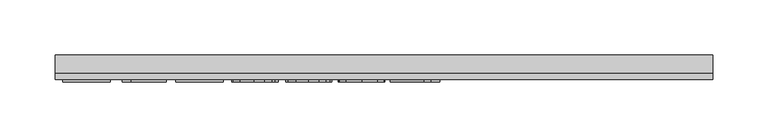
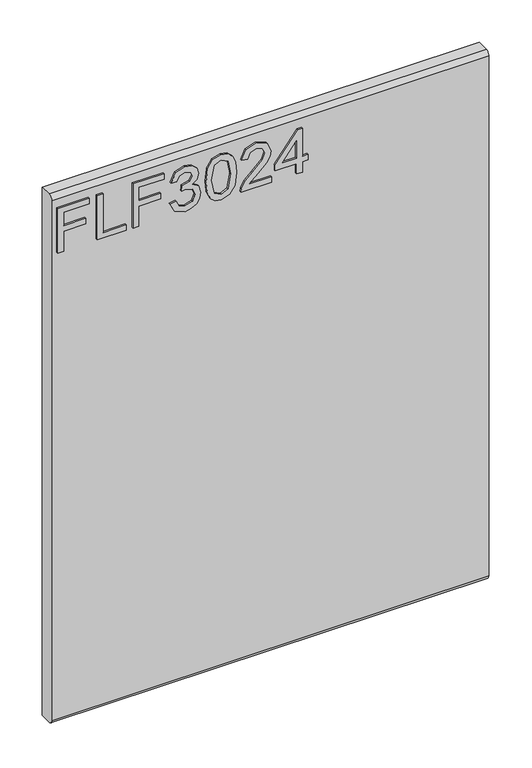
"""IFC4 building model written with IfcOpenShell, lengths in millimetres: furniture geometry."""

from ifc_helpers import new_model, si_unit, frame, origin, place, context, project, spatial, polyline, circle_curve, outline, extrude, source, transform, mapped, element, save
from ifc_brep_helpers import plane_surface, cylinder_surface, advanced_brep


def furniture_80ca25b2(model_context):
    return source(origin(), model_context, "Body", "SolidModel", [
        extrude(outline(polyline([(679.45, -291.4729953), (679.45, -283.4992757), (708.3547336, -283.4992757), (708.3547336, -253.5978271), (716.3284532, -253.5978271), (716.3284532, -283.4992757), (735.2660373, -283.4992757), (735.2660373, -248.6142524), (743.2397569, -248.6142524), (743.2397569, -291.4729953), (679.45, -291.4729953)])), frame((0.0, -15.0812439, 0.0), z_axis=(0.0, 1.0, 0.0), x_axis=(0.0, 0.0, 1.0)), (0.0, 0.0, 1.0), 2.38125),
        extrude(outline(polyline([(679.45, -237.6503879), (679.45, -197.7817898), (687.4237196, -197.7817898), (687.4237196, -229.6766683), (743.2397569, -229.6766683), (743.2397569, -237.6503879), (679.45, -237.6503879)])), frame((0.0, -15.0812439, 0.0), z_axis=(0.0, 1.0, 0.0), x_axis=(0.0, 0.0, 1.0)), (0.0, 0.0, 1.0), 2.38125),
        extrude(outline(polyline([(679.45, -188.8113553), (679.45, -180.8376356), (708.3547336, -180.8376356), (708.3547336, -150.9361871), (716.3284532, -150.9361871), (716.3284532, -180.8376356), (735.2660373, -180.8376356), (735.2660373, -145.9526123), (743.2397569, -145.9526123), (743.2397569, -188.8113553), (679.45, -188.8113553)])), frame((0.0, -15.0812439, 0.0), z_axis=(0.0, 1.0, 0.0), x_axis=(0.0, 0.0, 1.0)), (0.0, 0.0, 1.0), 2.38125),
        extrude(outline(polyline([(696.3941542, -137.9788927), (683.4524335, -131.6404085), (678.453285, -117.6552519), (679.9172101, -109.1325603), (684.3089854, -102.2217438), (690.8032063, -97.6430845), (698.5744681, -96.1168647), (708.9465331, -99.1693042), (714.397318, -107.8594127), (719.6767925, -101.3184708), (727.0275653, -99.1070095), (735.0713664, -101.4352734), (741.0516562, -108.1630993), (743.2397569, -117.7798412), (738.8012607, -130.4568095), (726.2956028, -136.9821777), (725.2988878, -129.0084581), (732.7742499, -125.0994667), (735.2660373, -117.4995152), (732.7976105, -109.9930057), (726.5603552, -107.0807292), (719.5210558, -111.0987363), (717.3251682, -121.4240803), (709.3514486, -122.3117795), (710.2235742, -116.7208316), (706.96089, -107.656955), (698.7146312, -104.0905843), (689.962228, -107.6881023), (686.4270047, -117.3749258), (688.9966604, -125.605611), (697.3908691, -130.0051731), (696.3941542, -137.9788927)])), frame((0.0, -15.0812439, 0.0), z_axis=(0.0, 1.0, 0.0), x_axis=(0.0, 0.0, 1.0)), (0.0, 0.0, 1.0), 2.38125),
        extrude(outline(polyline([(710.8309473, -89.13986), (695.3156775, -87.5513456), (684.5270168, -82.7858022), (679.971718, -76.4940391), (678.453285, -68.208846), (681.9495742, -56.5363795), (692.5552443, -49.598309), (710.8309473, -47.277832), (725.8206058, -48.7261834), (735.2582505, -52.4638645), (741.1840324, -58.8957907), (743.2397569, -68.208846), (739.7668283, -79.8345915), (729.1845188, -86.7960225), (710.8309473, -89.13986)]), holes=[polyline([(710.846521, -81.1661404), (730.9988514, -77.30387), (735.2660373, -68.3022881), (730.4226256, -58.8646433), (710.846521, -55.2515516), (691.0601718, -58.9892327), (686.4270047, -68.208846), (691.0445982, -77.4284593), (710.846521, -81.1661404)])]), frame((0.0, -15.0812439, 0.0), z_axis=(0.0, 1.0, 0.0), x_axis=(0.0, 0.0, 1.0)), (0.0, 0.0, 1.0), 2.38125),
        extrude(outline(polyline([(687.4237196, 0.5644857), (687.4237196, -30.754167), (691.4806609, -27.1566489), (699.150694, -17.9837566), (710.0756243, -6.5604689), (717.8936072, -1.8494333), (725.4546245, -0.4322293), (738.1315928, -5.6883433), (743.2397569, -19.9616129), (738.645524, -34.1881614), (725.2988878, -40.3008274), (724.3021729, -32.3271077), (732.3537608, -28.9709816), (735.2660373, -20.1329233), (732.2836793, -11.6530593), (724.9718407, -8.4059489), (715.9391115, -11.8477302), (702.65477, -25.6148555), (693.4117962, -35.5975787), (684.9475059, -40.4409904), (679.45, -41.2975423), (679.45, 0.5644857), (687.4237196, 0.5644857)])), frame((0.0, -15.0812439, 0.0), z_axis=(0.0, 1.0, 0.0), x_axis=(0.0, 0.0, 1.0)), (0.0, 0.0, 1.0), 2.38125),
        extrude(outline(polyline([(679.45, 34.4527941), (679.45, 42.4265137), (694.4007243, 42.4265137), (694.4007243, 50.4002333), (702.3744439, 50.4002333), (702.3744439, 42.4265137), (742.243042, 42.4265137), (742.243042, 36.446224), (702.3744439, 5.5480604), (694.4007243, 5.5480604), (694.4007243, 34.4527941), (679.45, 34.4527941)]), holes=[polyline([(702.3744439, 34.4527941), (702.3744439, 15.3594733), (727.0119916, 34.4527941), (702.3744439, 34.4527941)])]), frame((0.0, -15.0812439, 0.0), z_axis=(0.0, 1.0, 0.0), x_axis=(0.0, 0.0, 1.0)), (0.0, 0.0, 1.0), 2.38125),
        advanced_brep(
        [(298.45, 9.5250061, 762.0), (298.45, -6.7309939, 762.0), (298.45, -12.6999939, 756.031), (298.45, -12.6999939, 5.969), (298.45, -6.7309939, 0.0), (298.45, 9.5250061, 0.0), (-298.45, 9.5250061, 762.0), (-298.45, 9.5250061, 0.0), (-298.45, -6.7309939, 0.0), (-298.45, -12.6999939, 5.969), (-298.45, -12.6999939, 756.0310121), (-298.45, -6.7309939, 762.0)],
        [
            (0, 1),
            (1, 2, circle_curve(frame((298.45, -6.7309939, 756.031), z_axis=(1.0, 0.0, 0.0), x_axis=(0.0, 1.0, 0.0)), 5.969)),
            (2, 3),
            (3, 4, circle_curve(frame((298.45, -6.7309939, 5.969), z_axis=(1.0, 0.0, 0.0), x_axis=(0.0, 1.0, 0.0)), 5.969)),
            (4, 5),
            (5, 0),
            (6, 7),
            (7, 8),
            (8, 9, circle_curve(frame((-298.45, -6.7309939, 5.969), z_axis=(-1.0, 0.0, 0.0), x_axis=(0.0, 1.0, 0.0)), 5.969)),
            (9, 10),
            (10, 11, circle_curve(frame((-298.45, -6.7309939, 756.031), z_axis=(-1.0, 0.0, 0.0), x_axis=(0.0, 1.0, 0.0)), 5.969)),
            (11, 6),
            (0, 6),
            (11, 1),
            (10, 2),
            (9, 3),
            (8, 4),
            (7, 5),
        ],
        [
            plane_surface(frame((298.45, -6.7309939, 762.0), z_axis=(1.0, 0.0, 0.0), x_axis=(0.0, -1.0, 0.0))),
            plane_surface(frame((-298.45, -6.7309939, 762.0), z_axis=(-1.0, 0.0, 0.0), x_axis=(0.0, 1.0, 0.0))),
            plane_surface(frame((298.45, 9.5250061, 762.0), z_axis=(0.0, 0.0, 1.0), x_axis=(-1.0, 0.0, 0.0))),
            cylinder_surface(frame((-298.45, -6.7309939, 756.031), z_axis=(1.0, 0.0, 0.0), x_axis=(0.0, 1.0, 0.0)), 5.969),
            plane_surface(frame((298.45, -12.6999939, 756.0310121), z_axis=(0.0, -1.0, 0.0), x_axis=(-1.0, 0.0, 0.0))),
            cylinder_surface(frame((-298.45, -6.7309939, 5.969), z_axis=(1.0, 0.0, 0.0), x_axis=(0.0, 1.0, 0.0)), 5.969),
            plane_surface(frame((298.45, -6.7309939, 0.0), z_axis=(0.0, 0.0, -1.0), x_axis=(-1.0, 0.0, 0.0))),
            plane_surface(frame((298.45, 9.5250061, 0.0), z_axis=(0.0, 1.0, 0.0), x_axis=(-1.0, 0.0, 0.0))),
        ],
        [
            (0, [[1, 2, 3, 4, 5, 6]]),
            (1, [[7, 8, 9, 10, 11, 12]]),
            (2, [[-1, 13, -12, 14]]),
            (3, [[-2, -14, -11, 15]]),
            (4, [[-3, -15, -10, 16]]),
            (5, [[-4, -16, -9, 17]]),
            (6, [[-5, -17, -8, 18]]),
            (7, [[-6, -18, -7, -13]]),
        ],
    ),
    ])


if __name__ == "__main__":
    model = new_model("IFC4")
    model_context = context("Model", 3, world=origin())
    ifc_project = project(units=[si_unit("LENGTHUNIT", "METRE", prefix="MILLI")], contexts=[model_context])
    site = spatial("IfcSite", under=ifc_project)
    building = spatial("IfcBuilding", under=site)
    placement = place(None, origin())
    furniture_shape = furniture_80ca25b2(model_context)
    element("IfcFurniture", 1, at=placement, inside=building, context=model_context, shape_type="MappedRepresentation", body=[
        mapped(furniture_shape, transform((0.0, 0.0, 0.0), x_axis=(1.0, 0.0, 0.0), y_axis=(0.0, 1.0, 0.0), z_axis=(0.0, 0.0, 1.0))),
    ])
    save(model, "model.ifc")
